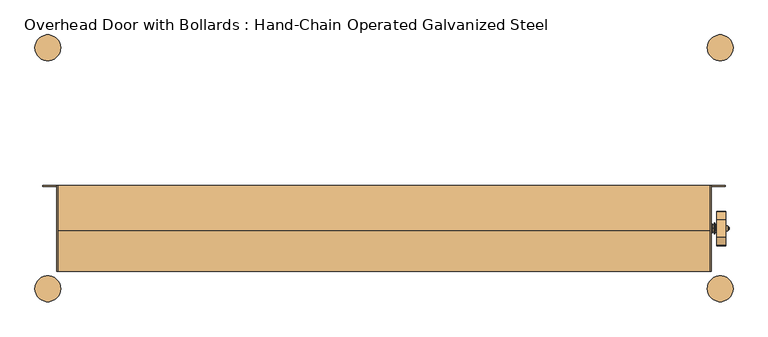
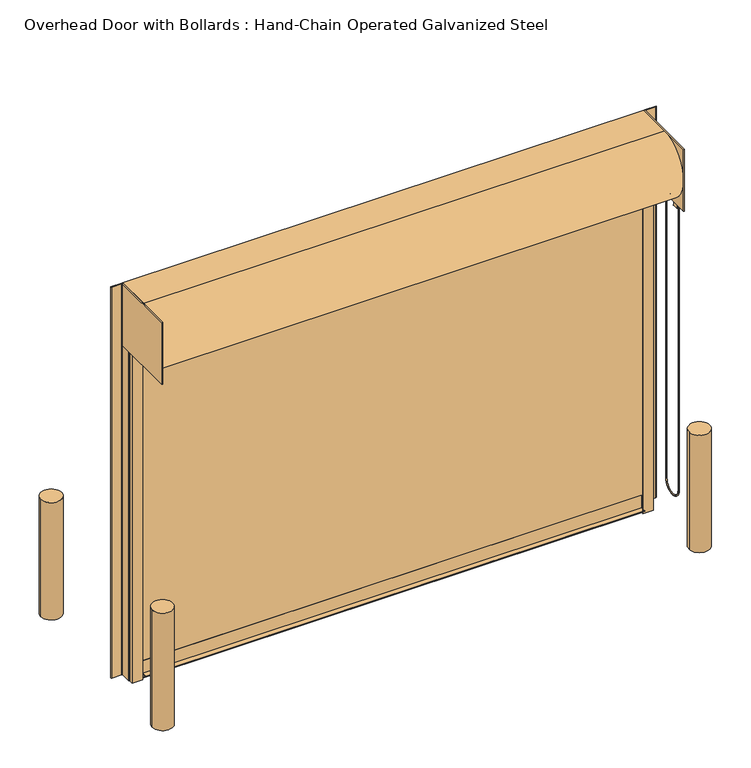
"""IFC4 building model written with IfcOpenShell, lengths in millimetres: door geometry, Overhead Door with Bollards : Hand-Chain Operated Galvanized Steel."""

from ifc_helpers import new_model, si_unit, point, frame, frame_2d, origin, origin_with_axes, place, context, project, spatial, polyline, circle_curve, ellipse_curve, trimmed, segment, composite_curve, outline, extrude, source, transform, mapped, element, save
from ifc_brep_helpers import plane_surface, cylinder_surface, revolved_surface, advanced_brep


def overhead_door_with_bollards_hand_chain_operated_galvanized_0083a6b9(model_context):
    return source(origin(), model_context, "Body", "SolidModel", [
        extrude(outline(composite_curve([segment(trimmed(circle_curve(frame_2d((-1066.8, -711.2)), 76.2), [point((-1143.0, -711.2))], [point((-990.6, -711.2))], False, "CARTESIAN"), True, "CONTINUOUS"), segment(trimmed(circle_curve(frame_2d((-1066.8, -711.2)), 76.2), [point((-990.6, -711.2))], [point((-1143.0, -711.2))], False, "CARTESIAN"), True, "CONTINUOUS")], self_intersect=False)), origin_with_axes(), (0.0, 0.0, 1.0), 914.4),
        extrude(outline(composite_curve([segment(trimmed(circle_curve(frame_2d((2895.6, -711.2)), 76.2), [point((2819.4, -711.2))], [point((2971.8, -711.2))], False, "CARTESIAN"), True, "CONTINUOUS"), segment(trimmed(circle_curve(frame_2d((2895.6, -711.2)), 76.2), [point((2971.8, -711.2))], [point((2819.4, -711.2))], False, "CARTESIAN"), True, "CONTINUOUS")], self_intersect=False)), origin_with_axes(), (0.0, 0.0, 1.0), 914.4),
        extrude(outline(composite_curve([segment(trimmed(circle_curve(frame_2d((2895.6, 711.2)), 76.2), [point((2971.8, 711.2))], [point((2819.4, 711.2))], False, "CARTESIAN"), True, "CONTINUOUS"), segment(trimmed(circle_curve(frame_2d((2895.6, 711.2)), 76.2), [point((2819.4, 711.2))], [point((2971.8, 711.2))], False, "CARTESIAN"), True, "CONTINUOUS")], self_intersect=False)), origin_with_axes(), (0.0, 0.0, 1.0), 914.4),
        extrude(outline(composite_curve([segment(trimmed(circle_curve(frame_2d((-1066.8, 711.2)), 76.2), [point((-1143.0, 711.2))], [point((-990.6, 711.2))], False, "CARTESIAN"), True, "CONTINUOUS"), segment(trimmed(circle_curve(frame_2d((-1066.8, 711.2)), 76.2), [point((-990.6, 711.2))], [point((-1143.0, 711.2))], False, "CARTESIAN"), True, "CONTINUOUS")], self_intersect=False)), origin_with_axes(), (0.0, 0.0, 1.0), 914.4),
        extrude(outline(polyline([(-1014.4252, -609.6), (-1014.4252, -101.6), (-1008.0752, -101.6), (-1008.0752, -609.6), (-1014.4252, -609.6)])), frame((0.0, 0.0, 2565.4), z_axis=(0.0, 0.0, 1.0), x_axis=(1.0, 0.0, 0.0)), (0.0, 0.0, 1.0), 482.6),
        advanced_brep(
        [(2927.4309604, -405.1483399, 2674.8469387), (2927.4309604, -452.4375, 2551.6544649), (2927.4309604, -452.4375, 2496.8877303), (2927.4309604, -456.5066884, 2486.9069784), (2927.4309604, -454.7997, 2482.85), (2927.4309604, -415.1249, 2482.85), (2927.4309604, -413.4179116, 2486.9069784), (2927.4309604, -417.4871, 2496.8877303), (2927.4309604, -417.4871, 2501.9), (2927.4309604, -404.7871, 2514.6), (2927.4309604, -395.6352267, 2514.6), (2927.4309604, -315.5647733, 2514.6), (2927.4309604, -306.4129, 2514.6), (2927.4309604, -293.9479873, 2499.467727), (2927.4309604, -297.7820884, 2486.9069784), (2927.4309604, -296.0751, 2482.85), (2927.4309604, -256.4003, 2482.85), (2927.4309604, -254.6933116, 2486.9069784), (2927.4309604, -258.7625, 2496.8877303), (2927.4309604, -258.7625, 2549.8891105), (2927.4309604, -259.3951464, 2553.3025652), (2927.4309604, -306.0516601, 2674.8469387), (2927.4309604, -339.725, 2593.975), (2927.4309604, -371.475, 2593.975), (2876.6309604, -405.1483399, 2674.8469387), (2876.6309604, -306.0516601, 2674.8469387), (2876.6309604, -259.3951464, 2553.3025652), (2876.6309604, -258.7625, 2549.8891105), (2876.6309604, -258.7625, 2496.8877303), (2876.6309604, -254.6933116, 2486.9069784), (2876.6309604, -256.4003, 2482.85), (2876.6309604, -296.0751, 2482.85), (2876.6309604, -297.7820884, 2486.9069784), (2876.6309604, -293.9479873, 2499.467727), (2876.6309604, -306.4129, 2514.6), (2876.6309604, -315.5647733, 2514.6), (2876.6309604, -395.6352267, 2514.6), (2876.6309604, -404.7871, 2514.6), (2876.6309604, -417.4871, 2501.9), (2876.6309604, -417.4871, 2496.8877303), (2876.6309604, -413.4179116, 2486.9069784), (2876.6309604, -415.1249, 2482.85), (2876.6309604, -454.7997, 2482.85), (2876.6309604, -456.5066884, 2486.9069784), (2876.6309604, -452.4375, 2496.8877303), (2876.6309604, -452.4375, 2551.6544649), (2876.6309604, -355.6, 2613.5965), (2876.6309604, -355.6, 2575.4965), (2941.7184604, -371.475, 2593.975), (2941.7184604, -339.725, 2593.975), (2941.7184604, -355.6, 2585.0215), (2941.7184604, -355.6, 2604.0715), (2947.9875, -355.6, 2588.1965), (2947.9875, -355.6, 2600.8965), (2944.8125, -355.6, 2604.0715), (2944.8125, -355.6, 2585.0215), (2947.9875, -355.6, 2594.5465), (2843.2125, -355.6, 2569.1465), (2843.2125, -355.6, 2619.9465), (2843.2125, -355.6, 2594.5465), (2849.5625, -355.6, 2569.1465), (2849.5625, -355.6, 2619.9465), (2849.5625, -355.6, 2573.1089), (2849.5625, -355.6, 2615.9841), (2859.6971, -355.6, 2573.1089), (2859.6971, -355.6, 2615.9841), (2859.6971, -355.6, 2569.26715), (2859.6971, -355.6, 2619.82585), (2861.2846, -355.6, 2562.91715), (2861.2846, -355.6, 2626.17585), (2863.85, -355.6, 2562.91715), (2863.85, -355.6, 2626.17585), (2865.4375, -355.6, 2569.26715), (2865.4375, -355.6, 2619.82585), (2865.4375, -355.6, 2575.4965), (2865.4375, -355.6, 2613.5965)],
        [
            (0, 1),
            (1, 2),
            (2, 3, circle_curve(frame((2927.4309604, -466.7123, 2496.8877303), z_axis=(-1.0, 0.0, 0.0), x_axis=(0.0, 1.0, 0.0)), 14.2748)),
            (3, 4, circle_curve(frame((2927.4309604, -454.7997, 2485.2376), z_axis=(1.0, 0.0, 0.0), x_axis=(0.0, 1.0, 0.0)), 2.3876)),
            (4, 5),
            (5, 6, circle_curve(frame((2927.4309604, -415.1249, 2485.2376), z_axis=(1.0, 0.0, 0.0), x_axis=(0.0, 1.0, 0.0)), 2.3876)),
            (6, 7, circle_curve(frame((2927.4309604, -403.2123, 2496.8877303), z_axis=(-1.0, 0.0, 0.0), x_axis=(0.0, 1.0, 0.0)), 14.2748)),
            (7, 8),
            (8, 9, circle_curve(frame((2927.4309604, -404.7871, 2501.9), z_axis=(-1.0, 0.0, 0.0), x_axis=(0.0, 1.0, 0.0)), 12.7)),
            (9, 10),
            (10, 11, circle_curve(frame((2927.4309604, -355.6, 2593.975), z_axis=(1.0, 0.0, 0.0), x_axis=(0.0, 1.0, 0.0)), 88.9)),
            (11, 12),
            (12, 13, circle_curve(frame((2927.4309604, -306.4129, 2501.9), z_axis=(-1.0, 0.0, 0.0), x_axis=(0.0, 1.0, 0.0)), 12.7)),
            (13, 14, circle_curve(frame((2927.4309604, -307.9877, 2496.8877303), z_axis=(-1.0, 0.0, 0.0), x_axis=(0.0, 1.0, 0.0)), 14.2748)),
            (14, 15, circle_curve(frame((2927.4309604, -296.0751, 2485.2376), z_axis=(1.0, 0.0, 0.0), x_axis=(0.0, 1.0, 0.0)), 2.3876)),
            (15, 16),
            (16, 17, circle_curve(frame((2927.4309604, -256.4003, 2485.2376), z_axis=(1.0, 0.0, 0.0), x_axis=(0.0, 1.0, 0.0)), 2.3876)),
            (17, 18, circle_curve(frame((2927.4309604, -244.4877, 2496.8877303), z_axis=(-1.0, 0.0, 0.0), x_axis=(0.0, 1.0, 0.0)), 14.2748)),
            (18, 19),
            (19, 20, circle_curve(frame((2927.4309604, -268.2875, 2549.8891105), z_axis=(1.0, 0.0, 0.0), x_axis=(0.0, 1.0, 0.0)), 9.525)),
            (20, 21),
            (21, 0, circle_curve(frame((2927.4309604, -355.6, 2593.975), z_axis=(1.0, 0.0, 0.0), x_axis=(0.0, 1.0, 0.0)), 94.8436)),
            (22, 23, circle_curve(frame((2927.4309604, -355.6, 2593.975), z_axis=(-1.0, 0.0, 0.0), x_axis=(0.0, 1.0, 0.0)), 15.875)),
            (23, 22, circle_curve(frame((2927.4309604, -355.6, 2593.975), z_axis=(-1.0, 0.0, 0.0), x_axis=(0.0, 1.0, 0.0)), 15.875)),
            (24, 25, circle_curve(frame((2876.6309604, -355.6, 2593.975), z_axis=(-1.0, 0.0, 0.0), x_axis=(0.0, 1.0, 0.0)), 94.8436)),
            (25, 26),
            (26, 27, circle_curve(frame((2876.6309604, -268.2875, 2549.8891105), z_axis=(-1.0, 0.0, 0.0), x_axis=(0.0, 1.0, 0.0)), 9.525)),
            (27, 28),
            (28, 29, circle_curve(frame((2876.6309604, -244.4877, 2496.8877303), z_axis=(1.0, 0.0, 0.0), x_axis=(0.0, 1.0, 0.0)), 14.2748)),
            (29, 30, circle_curve(frame((2876.6309604, -256.4003, 2485.2376), z_axis=(-1.0, 0.0, 0.0), x_axis=(0.0, 1.0, 0.0)), 2.3876)),
            (30, 31),
            (31, 32, circle_curve(frame((2876.6309604, -296.0751, 2485.2376), z_axis=(-1.0, 0.0, 0.0), x_axis=(0.0, 1.0, 0.0)), 2.3876)),
            (32, 33, circle_curve(frame((2876.6309604, -307.9877, 2496.8877303), z_axis=(1.0, 0.0, 0.0), x_axis=(0.0, 1.0, 0.0)), 14.2748)),
            (33, 34, circle_curve(frame((2876.6309604, -306.4129, 2501.9), z_axis=(1.0, 0.0, 0.0), x_axis=(0.0, 1.0, 0.0)), 12.7)),
            (34, 35),
            (35, 36, circle_curve(frame((2876.6309604, -355.6, 2593.975), z_axis=(-1.0, 0.0, 0.0), x_axis=(0.0, 1.0, 0.0)), 88.9)),
            (36, 37),
            (37, 38, circle_curve(frame((2876.6309604, -404.7871, 2501.9), z_axis=(1.0, 0.0, 0.0), x_axis=(0.0, 1.0, 0.0)), 12.7)),
            (38, 39),
            (39, 40, circle_curve(frame((2876.6309604, -403.2123, 2496.8877303), z_axis=(1.0, 0.0, 0.0), x_axis=(0.0, 1.0, 0.0)), 14.2748)),
            (40, 41, circle_curve(frame((2876.6309604, -415.1249, 2485.2376), z_axis=(-1.0, 0.0, 0.0), x_axis=(0.0, 1.0, 0.0)), 2.3876)),
            (41, 42),
            (42, 43, circle_curve(frame((2876.6309604, -454.7997, 2485.2376), z_axis=(-1.0, 0.0, 0.0), x_axis=(0.0, 1.0, 0.0)), 2.3876)),
            (43, 44, circle_curve(frame((2876.6309604, -466.7123, 2496.8877303), z_axis=(1.0, 0.0, 0.0), x_axis=(0.0, 1.0, 0.0)), 14.2748)),
            (44, 45),
            (45, 24),
            (46, 47, circle_curve(frame((2876.6309604, -355.6, 2594.5465), z_axis=(1.0, 0.0, 0.0), x_axis=(0.0, 0.0, 1.0)), 19.05)),
            (47, 46, circle_curve(frame((2876.6309604, -355.6, 2594.5465), z_axis=(1.0, 0.0, 0.0), x_axis=(0.0, 0.0, 1.0)), 19.05)),
            (0, 24),
            (45, 1),
            (44, 2),
            (43, 3),
            (42, 4),
            (41, 5),
            (40, 6),
            (39, 7),
            (38, 8),
            (37, 9),
            (36, 10),
            (35, 11),
            (34, 12),
            (33, 13),
            (32, 14),
            (31, 15),
            (30, 16),
            (29, 17),
            (28, 18),
            (27, 19),
            (26, 20),
            (25, 21),
            (48, 49, circle_curve(frame((2941.7184604, -355.6, 2593.975), z_axis=(1.0, 0.0, 0.0), x_axis=(0.0, 1.0, 0.0)), 15.875)),
            (49, 48, circle_curve(frame((2941.7184604, -355.6, 2593.975), z_axis=(1.0, 0.0, 0.0), x_axis=(0.0, 1.0, 0.0)), 15.875)),
            (50, 51, circle_curve(frame((2941.7184604, -355.6, 2594.5465), z_axis=(-1.0, 0.0, 0.0), x_axis=(0.0, 0.0, 1.0)), 9.525)),
            (51, 50, circle_curve(frame((2941.7184604, -355.6, 2594.5465), z_axis=(-1.0, 0.0, 0.0), x_axis=(0.0, 0.0, 1.0)), 9.525)),
            (48, 23),
            (22, 49),
            (52, 53, circle_curve(frame((2947.9875, -355.6, 2594.5465), z_axis=(-1.0, 0.0, 0.0), x_axis=(0.0, 0.0, 1.0)), 6.35)),
            (53, 54),
            (54, 55, circle_curve(frame((2944.8125, -355.6, 2594.5465), z_axis=(1.0, 0.0, 0.0), x_axis=(0.0, 0.0, 1.0)), 9.525)),
            (55, 52),
            (53, 52, circle_curve(frame((2947.9875, -355.6, 2594.5465), z_axis=(-1.0, 0.0, 0.0), x_axis=(0.0, 0.0, 1.0)), 6.35)),
            (55, 54, circle_curve(frame((2944.8125, -355.6, 2594.5465), z_axis=(1.0, 0.0, 0.0), x_axis=(0.0, 0.0, 1.0)), 9.525)),
            (52, 56),
            (56, 53),
            (54, 51),
            (50, 55),
            (57, 58, circle_curve(frame((2843.2125, -355.6, 2594.5465), z_axis=(-1.0, 0.0, 0.0), x_axis=(0.0, 0.0, 1.0)), 25.4)),
            (58, 59),
            (59, 57),
            (58, 57, circle_curve(frame((2843.2125, -355.6, 2594.5465), z_axis=(-1.0, 0.0, 0.0), x_axis=(0.0, 0.0, 1.0)), 25.4)),
            (57, 60),
            (60, 61, circle_curve(frame((2849.5625, -355.6, 2594.5465), z_axis=(-1.0, 0.0, 0.0), x_axis=(0.0, 0.0, 1.0)), 25.4)),
            (61, 58),
            (61, 60, circle_curve(frame((2849.5625, -355.6, 2594.5465), z_axis=(-1.0, 0.0, 0.0), x_axis=(0.0, 0.0, 1.0)), 25.4)),
            (60, 62),
            (62, 63, circle_curve(frame((2849.5625, -355.6, 2594.5465), z_axis=(-1.0, 0.0, 0.0), x_axis=(0.0, 0.0, 1.0)), 21.4376)),
            (63, 61),
            (63, 62, circle_curve(frame((2849.5625, -355.6, 2594.5465), z_axis=(-1.0, 0.0, 0.0), x_axis=(0.0, 0.0, 1.0)), 21.4376)),
            (62, 64),
            (64, 65, circle_curve(frame((2859.6971, -355.6, 2594.5465), z_axis=(-1.0, 0.0, 0.0), x_axis=(0.0, 0.0, 1.0)), 21.4376)),
            (65, 63),
            (65, 64, circle_curve(frame((2859.6971, -355.6, 2594.5465), z_axis=(-1.0, 0.0, 0.0), x_axis=(0.0, 0.0, 1.0)), 21.4376)),
            (64, 66),
            (66, 67, circle_curve(frame((2859.6971, -355.6, 2594.5465), z_axis=(-1.0, 0.0, 0.0), x_axis=(0.0, 0.0, 1.0)), 25.27935)),
            (67, 65),
            (67, 66, circle_curve(frame((2859.6971, -355.6, 2594.5465), z_axis=(-1.0, 0.0, 0.0), x_axis=(0.0, 0.0, 1.0)), 25.27935)),
            (66, 68),
            (68, 69, circle_curve(frame((2861.2846, -355.6, 2594.5465), z_axis=(-1.0, 0.0, 0.0), x_axis=(0.0, 0.0, 1.0)), 31.62935)),
            (69, 67),
            (69, 68, circle_curve(frame((2861.2846, -355.6, 2594.5465), z_axis=(-1.0, 0.0, 0.0), x_axis=(0.0, 0.0, 1.0)), 31.62935)),
            (68, 70),
            (70, 71, circle_curve(frame((2863.85, -355.6, 2594.5465), z_axis=(-1.0, 0.0, 0.0), x_axis=(0.0, 0.0, 1.0)), 31.62935)),
            (71, 69),
            (71, 70, circle_curve(frame((2863.85, -355.6, 2594.5465), z_axis=(-1.0, 0.0, 0.0), x_axis=(0.0, 0.0, 1.0)), 31.62935)),
            (70, 72),
            (72, 73, circle_curve(frame((2865.4375, -355.6, 2594.5465), z_axis=(-1.0, 0.0, 0.0), x_axis=(0.0, 0.0, 1.0)), 25.27935)),
            (73, 71),
            (73, 72, circle_curve(frame((2865.4375, -355.6, 2594.5465), z_axis=(-1.0, 0.0, 0.0), x_axis=(0.0, 0.0, 1.0)), 25.27935)),
            (72, 74),
            (74, 75, circle_curve(frame((2865.4375, -355.6, 2594.5465), z_axis=(-1.0, 0.0, 0.0), x_axis=(0.0, 0.0, 1.0)), 19.05)),
            (75, 73),
            (75, 74, circle_curve(frame((2865.4375, -355.6, 2594.5465), z_axis=(-1.0, 0.0, 0.0), x_axis=(0.0, 0.0, 1.0)), 19.05)),
            (74, 47),
            (46, 75),
        ],
        [
            plane_surface(frame((2927.4309604, -405.3174554, 2674.4063779), z_axis=(1.0, 0.0, 0.0), x_axis=(0.0, -0.3583679495453003, -0.9335804264972017))),
            plane_surface(frame((2876.6309604, -405.3174554, 2674.4063779), z_axis=(-1.0, 0.0, 0.0), x_axis=(0.0, 0.3583679495453003, 0.9335804264972017))),
            plane_surface(frame((2927.4309604, -405.1483399, 2674.8469387), z_axis=(0.0, -0.9335804264972017, 0.3583679495453003), x_axis=(-1.0, 0.0, 0.0))),
            plane_surface(frame((2927.4309604, -452.4375, 2551.6544649), z_axis=(0.0, -1.0, 0.0), x_axis=(-1.0, 0.0, 0.0))),
            revolved_surface(polyline([(2876.6309604, -452.4375, 2496.8877303), (2927.4309604, -452.4375, 2496.8877303)]), (2876.6309604, -466.7123, 2496.8877303), (-1.0, 0.0, 0.0)),
            cylinder_surface(frame((2876.6309604, -454.7997, 2485.2376), z_axis=(1.0, 0.0, 0.0), x_axis=(0.0, 1.0, 0.0)), 2.3876),
            plane_surface(frame((2927.4309604, -454.7997, 2482.85), z_axis=(0.0, 0.0, -1.0), x_axis=(-1.0, 0.0, 0.0))),
            cylinder_surface(frame((2876.6309604, -415.1249, 2485.2376), z_axis=(1.0, 0.0, 0.0), x_axis=(0.0, 1.0, 0.0)), 2.3876),
            revolved_surface(polyline([(2876.6309604, -388.9375, 2496.8877303), (2927.4309604, -388.9375, 2496.8877303)]), (2876.6309604, -403.2123, 2496.8877303), (-1.0, 0.0, 0.0)),
            plane_surface(frame((2927.4309604, -417.4871, 2496.8877303), z_axis=(0.0, 1.0, 0.0), x_axis=(-1.0, 0.0, 0.0))),
            revolved_surface(polyline([(2876.6309604, -392.0871, 2501.9), (2927.4309604, -392.0871, 2501.9)]), (2876.6309604, -404.7871, 2501.9), (-1.0, 0.0, 0.0)),
            plane_surface(frame((2927.4309604, -404.7871, 2514.6), z_axis=(0.0, 0.0, -1.0), x_axis=(-1.0, 0.0, 0.0))),
            cylinder_surface(frame((2876.6309604, -355.6, 2593.975), z_axis=(1.0, 0.0, 0.0), x_axis=(0.0, 1.0, 0.0)), 88.9),
            plane_surface(frame((2927.4309604, -315.5647733, 2514.6), z_axis=(0.0, 0.0, -1.0), x_axis=(-1.0, 0.0, 0.0))),
            revolved_surface(polyline([(2876.6309604, -293.7129, 2501.9), (2927.4309604, -293.7129, 2501.9)]), (2876.6309604, -306.4129, 2501.9), (-1.0, 0.0, 0.0)),
            revolved_surface(polyline([(2876.6309604, -293.7129, 2496.8877303), (2927.4309604, -293.7129, 2496.8877303)]), (2876.6309604, -307.9877, 2496.8877303), (-1.0, 0.0, 0.0)),
            cylinder_surface(frame((2876.6309604, -296.0751, 2485.2376), z_axis=(1.0, 0.0, 0.0), x_axis=(0.0, 1.0, 0.0)), 2.3876),
            plane_surface(frame((2927.4309604, -296.0751, 2482.85), z_axis=(0.0, 0.0, -1.0), x_axis=(-1.0, 0.0, 0.0))),
            cylinder_surface(frame((2876.6309604, -256.4003, 2485.2376), z_axis=(1.0, 0.0, 0.0), x_axis=(0.0, 1.0, 0.0)), 2.3876),
            revolved_surface(polyline([(2876.6309604, -230.2129, 2496.8877303), (2927.4309604, -230.2129, 2496.8877303)]), (2876.6309604, -244.4877, 2496.8877303), (-1.0, 0.0, 0.0)),
            plane_surface(frame((2927.4309604, -258.7625, 2496.8877303), z_axis=(0.0, 1.0, 0.0), x_axis=(-1.0, 0.0, 0.0))),
            cylinder_surface(frame((2876.6309604, -268.2875, 2549.8891105), z_axis=(1.0, 0.0, 0.0), x_axis=(0.0, 1.0, 0.0)), 9.525),
            plane_surface(frame((2927.4309604, -259.3951464, 2553.3025652), z_axis=(0.0, 0.9335804264972019, 0.35836794954530005), x_axis=(-1.0, 0.0, 0.0))),
            cylinder_surface(frame((2876.6309604, -355.6, 2593.975), z_axis=(1.0, 0.0, 0.0), x_axis=(0.0, 1.0, 0.0)), 94.8436),
            plane_surface(frame((2941.7184604, -339.725, 2593.975), z_axis=(1.0, 0.0, 0.0), x_axis=(0.0, 0.0, 1.0))),
            cylinder_surface(frame((2911.5305604, -355.6, 2593.975), z_axis=(1.0, 0.0, 0.0), x_axis=(0.0, 1.0, 0.0)), 15.875),
            revolved_surface(polyline([(2944.8125, -355.6, 2604.0715), (2947.9875, -355.6, 2600.8965)]), (2876.6309604, -355.6, 2594.5465), (1.0, 0.0, 0.0)),
            plane_surface(frame((2947.9875, -355.6, 2594.5465), z_axis=(1.0, 0.0, 0.0), x_axis=(0.0, 0.0, 1.0))),
            cylinder_surface(frame((2876.6309604, -355.6, 2594.5465), z_axis=(1.0, 0.0, 0.0), x_axis=(0.0, 0.0, 1.0)), 9.525),
            plane_surface(frame((2843.2125, -355.6, 2594.5465), z_axis=(-1.0, 0.0, 0.0), x_axis=(0.0, 0.0, 1.0))),
            cylinder_surface(frame((2876.6309604, -355.6, 2594.5465), z_axis=(1.0, 0.0, 0.0), x_axis=(0.0, 0.0, 1.0)), 25.4),
            plane_surface(frame((2849.5625, -355.6, 2594.5465), z_axis=(1.0, 0.0, 0.0), x_axis=(0.0, 0.0, 1.0))),
            cylinder_surface(frame((2876.6309604, -355.6, 2594.5465), z_axis=(1.0, 0.0, 0.0), x_axis=(0.0, 0.0, 1.0)), 21.4376),
            plane_surface(frame((2859.6971, -355.6, 2594.5465), z_axis=(-1.0, 0.0, 0.0), x_axis=(0.0, 0.0, 1.0))),
            revolved_surface(polyline([(2859.6971, -355.6, 2619.82585), (2861.2846, -355.6, 2626.17585)]), (2876.6309604, -355.6, 2594.5465), (1.0, 0.0, 0.0)),
            cylinder_surface(frame((2876.6309604, -355.6, 2594.5465), z_axis=(1.0, 0.0, 0.0), x_axis=(0.0, 0.0, 1.0)), 31.62935),
            revolved_surface(polyline([(2863.85, -355.6, 2626.17585), (2865.4375, -355.6, 2619.82585)]), (2876.6309604, -355.6, 2594.5465), (1.0, 0.0, 0.0)),
            plane_surface(frame((2865.4375, -355.6, 2594.5465), z_axis=(1.0, 0.0, 0.0), x_axis=(0.0, 0.0, 1.0))),
            cylinder_surface(frame((2876.6309604, -355.6, 2594.5465), z_axis=(1.0, 0.0, 0.0), x_axis=(0.0, 0.0, 1.0)), 19.05),
        ],
        [
            (0, [[1, 2, 3, 4, 5, 6, 7, 8, 9, 10, 11, 12, 13, 14, 15, 16, 17, 18, 19, 20, 21, 22], [23, 24]]),
            (1, [[25, 26, 27, 28, 29, 30, 31, 32, 33, 34, 35, 36, 37, 38, 39, 40, 41, 42, 43, 44, 45, 46], [47, 48]]),
            (2, [[-1, 49, -46, 50]]),
            (3, [[-2, -50, -45, 51]]),
            (4, [[-3, -51, -44, 52]]),
            (5, [[-4, -52, -43, 53]]),
            (6, [[-5, -53, -42, 54]]),
            (7, [[-6, -54, -41, 55]]),
            (8, [[-7, -55, -40, 56]]),
            (9, [[-8, -56, -39, 57]]),
            (10, [[-9, -57, -38, 58]]),
            (11, [[-10, -58, -37, 59]]),
            (12, [[-11, -59, -36, 60]]),
            (13, [[-12, -60, -35, 61]]),
            (14, [[-13, -61, -34, 62]]),
            (15, [[-14, -62, -33, 63]]),
            (16, [[-15, -63, -32, 64]]),
            (17, [[-16, -64, -31, 65]]),
            (18, [[-17, -65, -30, 66]]),
            (19, [[-18, -66, -29, 67]]),
            (20, [[-19, -67, -28, 68]]),
            (21, [[-20, -68, -27, 69]]),
            (22, [[-21, -69, -26, 70]]),
            (23, [[-22, -70, -25, -49]]),
            (24, [[71, 72], [73, 74]]),
            (25, [[-71, 75, -23, 76]]),
            (25, [[-72, -76, -24, -75]]),
            (26, [[77, 78, 79, 80]]),
            (26, [[-78, 81, -80, 82]]),
            (27, [[-77, 83, 84]]),
            (27, [[-81, -84, -83]]),
            (28, [[-79, 85, -73, 86]]),
            (28, [[-82, -86, -74, -85]]),
            (29, [[87, 88, 89]]),
            (29, [[-88, 90, -89]]),
            (30, [[-87, 91, 92, 93]]),
            (30, [[-90, -93, 94, -91]]),
            (31, [[-92, 95, 96, 97]]),
            (31, [[-94, -97, 98, -95]]),
            (32, [[-96, 99, 100, 101]]),
            (32, [[-98, -101, 102, -99]]),
            (33, [[-100, 103, 104, 105]]),
            (33, [[-102, -105, 106, -103]]),
            (34, [[-104, 107, 108, 109]]),
            (34, [[-106, -109, 110, -107]]),
            (35, [[-108, 111, 112, 113]]),
            (35, [[-110, -113, 114, -111]]),
            (36, [[-112, 115, 116, 117]]),
            (36, [[-114, -117, 118, -115]]),
            (37, [[-116, 119, 120, 121]]),
            (37, [[-118, -121, 122, -119]]),
            (38, [[-120, 123, -47, 124]]),
            (38, [[-122, -124, -48, -123]]),
        ],
    ),
        advanced_brep(
        [(2905.7659087, -277.8125, 2565.4), (2898.1340913, -277.8125, 2565.4), (2905.7659087, -277.8125, 266.7), (2898.1340913, -277.8125, 266.7), (2898.1340913, -436.5625, 266.7), (2905.7659087, -436.5625, 266.7), (2905.7659087, -436.5625, 2565.4), (2898.1340913, -436.5625, 2565.4)],
        [
            (0, 1, circle_curve(frame((2901.95, -277.8125, 2565.4), z_axis=(0.0, 0.0, 1.0), x_axis=(-1.0, 0.0, 0.0)), 3.8159087)),
            (1, 0, circle_curve(frame((2901.95, -277.8125, 2565.4), z_axis=(0.0, 0.0, 1.0), x_axis=(-1.0, 0.0, 0.0)), 3.8159087)),
            (0, 2),
            (2, 3, circle_curve(frame((2901.95, -277.8125, 266.7), z_axis=(0.0, 0.0, 1.0), x_axis=(-1.0, 0.0, 0.0)), 3.8159087)),
            (3, 1),
            (3, 2, circle_curve(frame((2901.95, -277.8125, 266.7), z_axis=(0.0, 0.0, 1.0), x_axis=(-1.0, 0.0, 0.0)), 3.8159087)),
            (4, 3, circle_curve(frame((2898.1340913, -357.1875, 266.7), z_axis=(1.0, 0.0, 0.0), x_axis=(0.0, 1.0, 0.0)), 79.375)),
            (2, 5, circle_curve(frame((2905.7659087, -357.1875, 266.7), z_axis=(-1.0, 0.0, 0.0), x_axis=(0.0, 1.0, 0.0)), 79.375)),
            (5, 4, circle_curve(frame((2901.95, -436.5625, 266.7), z_axis=(0.0, 0.0, -1.0), x_axis=(-1.0, 0.0, 0.0)), 3.8159087)),
            (4, 5, circle_curve(frame((2901.95, -436.5625, 266.7), z_axis=(0.0, 0.0, -1.0), x_axis=(-1.0, 0.0, 0.0)), 3.8159087)),
            (6, 7, circle_curve(frame((2901.95, -436.5625, 2565.4), z_axis=(0.0, 0.0, 1.0), x_axis=(-1.0, 0.0, 0.0)), 3.8159087)),
            (7, 6, circle_curve(frame((2901.95, -436.5625, 2565.4), z_axis=(0.0, 0.0, 1.0), x_axis=(-1.0, 0.0, 0.0)), 3.8159087)),
            (5, 6),
            (7, 4),
        ],
        [
            plane_surface(frame((2901.95, -277.8125, 2565.4), z_axis=(0.0, 0.0, 1.0), x_axis=(-1.0, 0.0, 0.0))),
            cylinder_surface(frame((2901.95, -277.8125, 2565.4), z_axis=(0.0, 0.0, 1.0), x_axis=(-1.0, 0.0, 0.0)), 3.8159087),
            revolved_surface(trimmed(ellipse_curve(frame((2901.95, -277.8125, 266.7), z_axis=(0.0, 0.0, 1.0), x_axis=(-1.0, 0.0, 0.0)), 3.8159087, 3.8159087), [point((2905.7659087, -277.8125, 266.7))], [point((2898.1340913, -277.8125, 266.7))], True, "CARTESIAN"), (2901.95, -357.1875, 266.7), (-1.0, 0.0, 0.0)),
            revolved_surface(trimmed(ellipse_curve(frame((2901.95, -277.8125, 266.7), z_axis=(0.0, 0.0, 1.0), x_axis=(-1.0, 0.0, 0.0)), 3.8159087, 3.8159087), [point((2898.1340913, -277.8125, 266.7))], [point((2905.7659087, -277.8125, 266.7))], True, "CARTESIAN"), (2901.95, -357.1875, 266.7), (-1.0, 0.0, 0.0)),
            plane_surface(frame((2901.95, -436.5625, 2565.4), z_axis=(0.0, 0.0, 1.0), x_axis=(-1.0, 0.0, 0.0))),
            cylinder_surface(frame((2901.95, -436.5625, 266.7), z_axis=(0.0, 0.0, -1.0), x_axis=(-1.0, 0.0, 0.0)), 3.8159087),
        ],
        [
            (0, [[1, 2]]),
            (1, [[-1, 3, 4, 5]]),
            (1, [[-2, -5, 6, -3]]),
            (2, [[7, -4, 8, 9]]),
            (3, [[-8, -6, -7, 10]]),
            (4, [[11, 12]]),
            (5, [[-9, 13, -12, 14]]),
            (5, [[-10, -14, -11, -13]]),
        ],
    ),
        extrude(outline(polyline([(2843.2125, -101.6), (2843.2125, -609.6), (2836.8625, -609.6), (2836.8625, -101.6), (2843.2125, -101.6)])), frame((0.0, 0.0, 2565.4), z_axis=(0.0, 0.0, 1.0), x_axis=(1.0, 0.0, 0.0)), (0.0, 0.0, 1.0), 482.6),
        advanced_brep(
        [(2843.2252, -187.325, 2565.4), (2843.2252, -111.125, 2565.4), (2843.2252, -101.6, 2565.4), (2836.8752, -101.6, 2565.4), (2836.8752, -190.5, 2565.4), (2840.0502, -190.5, 2565.4), (2836.8752, -101.6, 0.0), (2925.7752, -101.6, 0.0), (2925.7752, -104.775, 0.0), (2922.6002, -107.95, 0.0), (2846.4002, -107.95, 0.0), (2843.2252, -111.125, 0.0), (2843.2252, -187.325, 0.0), (2840.0502, -190.5, 0.0), (2836.8752, -190.5, 0.0), (2843.2252, -101.6, 3048.0), (2925.7752, -101.6, 3048.0), (2846.4002, -107.95, 3048.0), (2922.6002, -107.95, 3048.0), (2925.7752, -104.775, 3048.0), (2843.2252, -111.125, 3048.0)],
        [
            (0, 1),
            (1, 2),
            (2, 3),
            (3, 4),
            (4, 5),
            (5, 0, circle_curve(frame((2840.0502, -187.325, 2565.4), z_axis=(0.0, 0.0, 1.0), x_axis=(-1.0, 0.0, 0.0)), 3.175)),
            (6, 7),
            (7, 8),
            (8, 9, circle_curve(frame((2922.6002, -104.775, 0.0), z_axis=(0.0, 0.0, -1.0), x_axis=(-1.0, 0.0, 0.0)), 3.175)),
            (9, 10),
            (10, 11, circle_curve(frame((2846.4002, -111.125, 0.0), z_axis=(0.0, 0.0, 1.0), x_axis=(-1.0, 0.0, 0.0)), 3.175)),
            (11, 12),
            (12, 13, circle_curve(frame((2840.0502, -187.325, 0.0), z_axis=(0.0, 0.0, -1.0), x_axis=(-1.0, 0.0, 0.0)), 3.175)),
            (13, 14),
            (14, 6),
            (11, 1),
            (0, 12),
            (5, 13),
            (4, 14),
            (3, 6),
            (2, 15),
            (15, 16),
            (16, 7),
            (17, 18),
            (18, 19, circle_curve(frame((2922.6002, -104.775, 3048.0), z_axis=(0.0, 0.0, 1.0), x_axis=(-1.0, 0.0, 0.0)), 3.175)),
            (19, 16),
            (15, 20),
            (20, 17, circle_curve(frame((2846.4002, -111.125, 3048.0), z_axis=(0.0, 0.0, -1.0), x_axis=(-1.0, 0.0, 0.0)), 3.175)),
            (20, 1),
            (10, 17),
            (19, 8),
            (18, 9),
        ],
        [
            plane_surface(frame((2836.8752, -187.325, 2565.4), z_axis=(0.0, 0.0, 1.0), x_axis=(0.0, 1.0, 0.0))),
            plane_surface(frame((2836.8752, -187.325, 0.0), z_axis=(0.0, 0.0, -1.0), x_axis=(0.0, -1.0, 0.0))),
            plane_surface(frame((2843.2252, -101.6, 2565.4), z_axis=(1.0, 0.0, 0.0), x_axis=(0.0, 0.0, -1.0))),
            cylinder_surface(frame((2840.0502, -187.325, 0.0), z_axis=(0.0, 0.0, 1.0), x_axis=(-1.0, 0.0, 0.0)), 3.175),
            plane_surface(frame((2840.0502, -190.5, 2565.4), z_axis=(0.0, -1.0, 0.0), x_axis=(0.0, 0.0, -1.0))),
            plane_surface(frame((2836.8752, -190.5, 2565.4), z_axis=(-1.0, 0.0, 0.0), x_axis=(0.0, 0.0, -1.0))),
            plane_surface(frame((2836.8752, -101.6, 2565.4), z_axis=(0.0, 1.0, 0.0), x_axis=(0.0, 0.0, -1.0))),
            plane_surface(frame((2843.2252, -111.125, 3048.0), z_axis=(0.0, 0.0, 1.0), x_axis=(0.0, -1.0, 0.0))),
            revolved_surface(polyline([(2843.2252, -111.125, 0.0), (2843.2252, -111.125, 3048.0)]), (2846.4002, -111.125, 0.0), (0.0, 0.0, -1.0)),
            plane_surface(frame((2843.2252, -111.125, 3048.0), z_axis=(-1.0, 0.0, 0.0), x_axis=(0.0, 0.0, -1.0))),
            plane_surface(frame((2925.7752, -101.6, 3048.0), z_axis=(1.0, 0.0, 0.0), x_axis=(0.0, 0.0, -1.0))),
            cylinder_surface(frame((2922.6002, -104.775, 0.0), z_axis=(0.0, 0.0, 1.0), x_axis=(-1.0, 0.0, 0.0)), 3.175),
            plane_surface(frame((2922.6002, -107.95, 3048.0), z_axis=(0.0, -1.0, 0.0), x_axis=(0.0, 0.0, -1.0))),
        ],
        [
            (0, [[1, 2, 3, 4, 5, 6]]),
            (1, [[7, 8, 9, 10, 11, 12, 13, 14, 15]]),
            (2, [[-12, 16, -1, 17]]),
            (3, [[18, -13, -17, -6]]),
            (4, [[19, -14, -18, -5]]),
            (5, [[20, -15, -19, -4]]),
            (6, [[21, 22, 23, -7, -20, -3]]),
            (7, [[24, 25, 26, -22, 27, 28]]),
            (8, [[29, -16, -11, 30, -28]]),
            (9, [[-21, -2, -29, -27]]),
            (10, [[31, -8, -23, -26]]),
            (11, [[32, -9, -31, -25]]),
            (12, [[-30, -10, -32, -24]]),
        ],
    ),
        extrude(outline(composite_curve([segment(trimmed(circle_curve(frame_2d((2829.7314515, -215.1062498)), 2.38125), [point((2829.7314515, -217.4874998))], [point((2832.1127015, -215.1062498))], True, "CARTESIAN"), True, "CONTINUOUS"), segment(polyline([(2832.1127015, -215.1062498), (2832.1127015, -148.4312498)]), True, "CONTINUOUS"), segment(trimmed(circle_curve(frame_2d((2834.4939515, -148.4312498)), 2.38125), [point((2832.1127015, -148.4312498))], [point((2834.4939515, -146.0499998))], False, "CARTESIAN"), True, "CONTINUOUS"), segment(polyline([(2834.4939515, -146.0499998), (2836.8752015, -146.0499998), (2836.8752015, -222.2499998), (2760.6752015, -222.2499998), (2760.6752015, -219.8687498)]), True, "CONTINUOUS"), segment(trimmed(circle_curve(frame_2d((2763.0564515, -219.8687498)), 2.38125), [point((2760.6752015, -219.8687498))], [point((2763.0564515, -217.4874998))], False, "CARTESIAN"), True, "CONTINUOUS"), segment(polyline([(2763.0564515, -217.4874998), (2829.7314515, -217.4874998)]), True, "CONTINUOUS")], self_intersect=False)), origin_with_axes(), (0.0, 0.0, 1.0), 2565.4),
        extrude(outline(composite_curve([segment(polyline([(2755.9127015, -182.5624998), (2755.9127015, -180.1812498)]), True, "CONTINUOUS"), segment(trimmed(circle_curve(frame_2d((2758.2939515, -180.1812498)), 2.38125), [point((2755.9127015, -180.1812498))], [point((2758.2939515, -177.7999998))], False, "CARTESIAN"), True, "CONTINUOUS"), segment(polyline([(2758.2939515, -177.7999998), (2824.9689515, -177.7999998)]), True, "CONTINUOUS"), segment(trimmed(circle_curve(frame_2d((2824.9689515, -175.4187498)), 2.38125), [point((2824.9689515, -177.7999998))], [point((2827.3502015, -175.4187498))], True, "CARTESIAN"), True, "CONTINUOUS"), segment(polyline([(2827.3502015, -175.4187498), (2827.3502015, -134.1437498)]), True, "CONTINUOUS"), segment(trimmed(circle_curve(frame_2d((2829.7314515, -134.1437498)), 2.38125), [point((2827.3502015, -134.1437498))], [point((2829.7314515, -131.7624998))], False, "CARTESIAN"), True, "CONTINUOUS"), segment(polyline([(2829.7314515, -131.7624998), (2832.1127015, -131.7624998), (2832.1127015, -182.5624998), (2755.9127015, -182.5624998)]), True, "CONTINUOUS")], self_intersect=False)), origin_with_axes(), (0.0, 0.0, 1.0), 2565.4),
        advanced_brep(
        [(-1014.4252, -187.325, 2565.4), (-1011.2502, -190.5, 2565.4), (-1008.0752, -190.5, 2565.4), (-1008.0752, -101.6, 2565.4), (-1014.4252, -101.6, 2565.4), (-1014.4252, -111.125, 2565.4), (-1008.0752, -101.6, 0.0), (-1008.0752, -190.5, 0.0), (-1011.2502, -190.5, 0.0), (-1014.4252, -187.325, 0.0), (-1014.4252, -111.125, 0.0), (-1017.6002, -107.95, 0.0), (-1093.8002, -107.95, 0.0), (-1096.9752, -104.775, 0.0), (-1096.9752, -101.6, 0.0), (-1096.9752, -101.6, 3048.0), (-1014.4252, -101.6, 3048.0), (-1017.6002, -107.95, 3048.0), (-1014.4252, -111.125, 3048.0), (-1096.9752, -104.775, 3048.0), (-1093.8002, -107.95, 3048.0)],
        [
            (0, 1, circle_curve(frame((-1011.2502, -187.325, 2565.4), z_axis=(0.0, 0.0, 1.0), x_axis=(1.0, 0.0, 0.0)), 3.175)),
            (1, 2),
            (2, 3),
            (3, 4),
            (4, 5),
            (5, 0),
            (6, 7),
            (7, 8),
            (8, 9, circle_curve(frame((-1011.2502, -187.325, 0.0), z_axis=(0.0, 0.0, -1.0), x_axis=(1.0, 0.0, 0.0)), 3.175)),
            (9, 10),
            (10, 11, circle_curve(frame((-1017.6002, -111.125, 0.0), z_axis=(0.0, 0.0, 1.0), x_axis=(1.0, 0.0, 0.0)), 3.175)),
            (11, 12),
            (12, 13, circle_curve(frame((-1093.8002, -104.775, 0.0), z_axis=(0.0, 0.0, -1.0), x_axis=(1.0, 0.0, 0.0)), 3.175)),
            (13, 14),
            (14, 6),
            (0, 9),
            (8, 1),
            (7, 2),
            (6, 3),
            (14, 15),
            (15, 16),
            (16, 4),
            (5, 10),
            (17, 18, circle_curve(frame((-1017.6002, -111.125, 3048.0), z_axis=(0.0, 0.0, -1.0), x_axis=(1.0, 0.0, 0.0)), 3.175)),
            (18, 16),
            (15, 19),
            (19, 20, circle_curve(frame((-1093.8002, -104.775, 3048.0), z_axis=(0.0, 0.0, 1.0), x_axis=(1.0, 0.0, 0.0)), 3.175)),
            (20, 17),
            (17, 11),
            (5, 18),
            (13, 19),
            (12, 20),
        ],
        [
            plane_surface(frame((-1008.0752, -187.325, 2565.4), z_axis=(0.0, 0.0, 1.0), x_axis=(0.0, 1.0, 0.0))),
            plane_surface(frame((-1008.0752, -187.325, 0.0), z_axis=(0.0, 0.0, -1.0), x_axis=(0.0, -1.0, 0.0))),
            cylinder_surface(frame((-1011.2502, -187.325, 0.0), z_axis=(0.0, 0.0, 1.0), x_axis=(1.0, 0.0, 0.0)), 3.175),
            plane_surface(frame((-1011.2502, -190.5, 2565.4), z_axis=(0.0, -1.0, 0.0), x_axis=(0.0, 0.0, -1.0))),
            plane_surface(frame((-1008.0752, -190.5, 2565.4), z_axis=(1.0, 0.0, 0.0), x_axis=(0.0, 0.0, -1.0))),
            plane_surface(frame((-1008.0752, -101.6, 2565.4), z_axis=(0.0, 1.0, 0.0), x_axis=(0.0, 0.0, -1.0))),
            plane_surface(frame((-1014.4252, -101.6, 2565.4), z_axis=(-1.0, 0.0, 0.0), x_axis=(0.0, 0.0, -1.0))),
            plane_surface(frame((-1014.4252, -111.125, 3048.0), z_axis=(0.0, 0.0, 1.0), x_axis=(0.0, -1.0, 0.0))),
            revolved_surface(polyline([(-1014.4252, -111.125, 0.0), (-1014.4252, -111.125, 3048.0)]), (-1017.6002, -111.125, 0.0), (0.0, 0.0, -1.0)),
            plane_surface(frame((-1014.4252, -111.125, 3048.0), z_axis=(1.0, 0.0, 0.0), x_axis=(0.0, 0.0, -1.0))),
            plane_surface(frame((-1096.9752, -101.6, 3048.0), z_axis=(-1.0, 0.0, 0.0), x_axis=(0.0, 0.0, -1.0))),
            cylinder_surface(frame((-1093.8002, -104.775, 0.0), z_axis=(0.0, 0.0, 1.0), x_axis=(1.0, 0.0, 0.0)), 3.175),
            plane_surface(frame((-1093.8002, -107.95, 3048.0), z_axis=(0.0, -1.0, 0.0), x_axis=(0.0, 0.0, -1.0))),
        ],
        [
            (0, [[1, 2, 3, 4, 5, 6]]),
            (1, [[7, 8, 9, 10, 11, 12, 13, 14, 15]]),
            (2, [[-1, 16, -9, 17]]),
            (3, [[-2, -17, -8, 18]]),
            (4, [[-3, -18, -7, 19]]),
            (5, [[-4, -19, -15, 20, 21, 22]]),
            (6, [[-16, -6, 23, -10]]),
            (7, [[24, 25, -21, 26, 27, 28]]),
            (8, [[-24, 29, -11, -23, 30]]),
            (9, [[-25, -30, -5, -22]]),
            (10, [[-26, -20, -14, 31]]),
            (11, [[-27, -31, -13, 32]]),
            (12, [[-28, -32, -12, -29]]),
        ],
    ),
        extrude(outline(composite_curve([segment(polyline([(-1000.9314515, -217.4874998), (-934.2564515, -217.4874998)]), True, "CONTINUOUS"), segment(trimmed(circle_curve(frame_2d((-934.2564515, -219.8687498)), 2.38125), [point((-934.2564515, -217.4874998))], [point((-931.8752015, -219.8687498))], False, "CARTESIAN"), True, "CONTINUOUS"), segment(polyline([(-931.8752015, -219.8687498), (-931.8752015, -222.2499998), (-1008.0752015, -222.2499998), (-1008.0752015, -146.0499998), (-1005.6939515, -146.0499998)]), True, "CONTINUOUS"), segment(trimmed(circle_curve(frame_2d((-1005.6939515, -148.4312498)), 2.38125), [point((-1005.6939515, -146.0499998))], [point((-1003.3127015, -148.4312498))], False, "CARTESIAN"), True, "CONTINUOUS"), segment(polyline([(-1003.3127015, -148.4312498), (-1003.3127015, -215.1062498)]), True, "CONTINUOUS"), segment(trimmed(circle_curve(frame_2d((-1000.9314515, -215.1062498)), 2.38125), [point((-1003.3127015, -215.1062498))], [point((-1000.9314515, -217.4874998))], True, "CARTESIAN"), True, "CONTINUOUS")], self_intersect=False)), origin_with_axes(), (0.0, 0.0, 1.0), 2565.4),
        extrude(outline(composite_curve([segment(polyline([(-927.1127015, -182.5624998), (-1003.3127015, -182.5624998), (-1003.3127015, -131.7624998), (-1000.9314515, -131.7624998)]), True, "CONTINUOUS"), segment(trimmed(circle_curve(frame_2d((-1000.9314515, -134.1437498)), 2.38125), [point((-1000.9314515, -131.7624998))], [point((-998.5502015, -134.1437498))], False, "CARTESIAN"), True, "CONTINUOUS"), segment(polyline([(-998.5502015, -134.1437498), (-998.5502015, -175.4187498)]), True, "CONTINUOUS"), segment(trimmed(circle_curve(frame_2d((-996.1689515, -175.4187498)), 2.38125), [point((-998.5502015, -175.4187498))], [point((-996.1689515, -177.7999998))], True, "CARTESIAN"), True, "CONTINUOUS"), segment(polyline([(-996.1689515, -177.7999998), (-929.4939515, -177.7999998)]), True, "CONTINUOUS"), segment(trimmed(circle_curve(frame_2d((-929.4939515, -180.1812498)), 2.38125), [point((-929.4939515, -177.7999998))], [point((-927.1127015, -180.1812498))], False, "CARTESIAN"), True, "CONTINUOUS"), segment(polyline([(-927.1127015, -180.1812498), (-927.1127015, -182.5624998)]), True, "CONTINUOUS")], self_intersect=False)), origin_with_axes(), (0.0, 0.0, 1.0), 2565.4),
        extrude(outline(composite_curve([segment(polyline([(-189.537181, 140.5929688), (-189.537181, 46.7690062), (-151.7685055, 40.7007965)]), True, "CONTINUOUS"), segment(trimmed(circle_curve(frame_2d((-151.957882, 39.5221129)), 1.1938), [point((-151.7685055, 40.7007965))], [point((-150.9006976, 38.9675684))], False, "CARTESIAN"), True, "CONTINUOUS"), segment(polyline([(-150.9006976, 38.9675684), (-155.8717964, 38.9675684), (-190.0578813, 44.4601712), (-190.0578813, 11.4847687)]), True, "CONTINUOUS"), segment(trimmed(circle_curve(frame_2d((-201.5640813, 11.4847687)), 11.5062), [point((-190.0578813, 11.4847687))], [point((-191.5441554, 5.8284692))], False, "CARTESIAN"), True, "CONTINUOUS"), segment(trimmed(circle_curve(frame_2d((-201.5640813, 11.4847687)), 11.5062), [point((-191.5441554, 5.8284692))], [point((-197.2725729, 0.8088335))], False, "CARTESIAN"), True, "CONTINUOUS"), segment(trimmed(circle_curve(frame_2d((-201.5640813, 11.4847687)), 11.5062), [point((-197.2725729, 0.8088335))], [point((-206.0896028, 0.9059081))], False, "CARTESIAN"), True, "CONTINUOUS"), segment(trimmed(circle_curve(frame_2d((-201.5640813, 11.4847687)), 11.5062), [point((-206.0896028, 0.9059081))], [point((-211.3278267, 5.3969191))], False, "CARTESIAN"), True, "CONTINUOUS"), segment(trimmed(circle_curve(frame_2d((-201.5640813, 11.4847687)), 11.5062), [point((-211.3278267, 5.3969191))], [point((-213.0702813, 11.4847687))], False, "CARTESIAN"), True, "CONTINUOUS"), segment(polyline([(-213.0702813, 11.4847687), (-213.0702813, 41.3551688), (-248.833481, 41.3551688)]), True, "CONTINUOUS"), segment(trimmed(circle_curve(frame_2d((-248.833481, 40.5677688)), 0.7874), [point((-248.833481, 41.3551688))], [point((-249.620881, 40.5677688))], True, "CARTESIAN"), True, "CONTINUOUS"), segment(polyline([(-249.620881, 40.5677688), (-249.620881, 39.7549688)]), True, "CONTINUOUS"), segment(trimmed(circle_curve(frame_2d((-250.408281, 39.7549688)), 0.7874), [point((-249.620881, 39.7549688))], [point((-250.408281, 38.9675688))], False, "CARTESIAN"), True, "CONTINUOUS"), segment(polyline([(-250.408281, 38.9675688), (-251.970381, 38.9675688)]), True, "CONTINUOUS"), segment(trimmed(circle_curve(frame_2d((-251.970381, 40.1613688)), 1.1938), [point((-251.970381, 38.9675688))], [point((-253.164181, 40.1613688))], False, "CARTESIAN"), True, "CONTINUOUS"), segment(polyline([(-253.164181, 40.1613688), (-253.164181, 42.5489688)]), True, "CONTINUOUS"), segment(trimmed(circle_curve(frame_2d((-251.970381, 42.5489688)), 1.1938), [point((-253.164181, 42.5489688))], [point((-251.970381, 43.7427688))], False, "CARTESIAN"), True, "CONTINUOUS"), segment(polyline([(-251.970381, 43.7427688), (-213.489381, 43.7427688), (-213.489381, 140.5929688), (-189.537181, 140.5929688)]), True, "CONTINUOUS")], self_intersect=False)), frame((-927.1, 0.0, 0.0), z_axis=(1.0, 0.0, 0.0), x_axis=(0.0, 1.0, 0.0)), (0.0, 0.0, 1.0), 3683.0),
        extrude(outline(composite_curve([segment(polyline([(-101.6, 3048.0), (-101.6, 2565.4), (-368.3, 2565.4)]), True, "CONTINUOUS"), segment(trimmed(circle_curve(frame_2d((-368.3, 2806.7)), 241.3), [point((-368.3, 2565.4))], [point((-368.3, 3048.0))], False, "CARTESIAN"), True, "CONTINUOUS"), segment(polyline([(-368.3, 3048.0), (-101.6, 3048.0)]), True, "CONTINUOUS")], self_intersect=False)), frame((-1008.0752, 0.0, 0.0), z_axis=(1.0, 0.0, 0.0), x_axis=(0.0, 1.0, 0.0)), (0.0, 0.0, 1.0), 3844.9377),
        extrude(outline(polyline([(2782.8875, -213.489381), (-954.0875, -213.489381), (-954.0875, -189.537181), (2782.8875, -189.537181), (2782.8875, -213.489381)])), frame((0.0, 0.0, 140.5929687), z_axis=(0.0, 0.0, 1.0), x_axis=(1.0, 0.0, 0.0)), (0.0, 0.0, 1.0), 2424.8070313),
    ])


if __name__ == "__main__":
    model = new_model("IFC4")
    model_context = context("Model", 3, world=origin())
    ifc_project = project(units=[si_unit("LENGTHUNIT", "METRE", prefix="MILLI")], contexts=[model_context])
    site = spatial("IfcSite", under=ifc_project)
    building = spatial("IfcBuilding", under=site)
    placement = place(None, origin())
    overhead_door_with_bollards_hand_chain_operated_galvanized_shape = overhead_door_with_bollards_hand_chain_operated_galvanized_0083a6b9(model_context)
    element("IfcDoor", 1, ObjectType="Overhead Door with Bollards : Hand-Chain Operated Galvanized Steel", at=placement, inside=building, context=model_context, shape_type="MappedRepresentation", body=[
        mapped(overhead_door_with_bollards_hand_chain_operated_galvanized_shape, transform((0.0, 0.0, 0.0), x_axis=(1.0, 0.0, 0.0), y_axis=(0.0, 1.0, 0.0), z_axis=(0.0, 0.0, 1.0))),
    ])
    save(model, "model.ifc")
